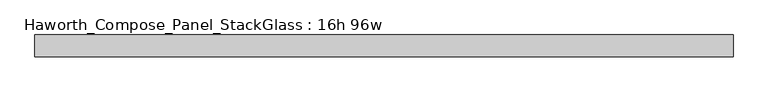
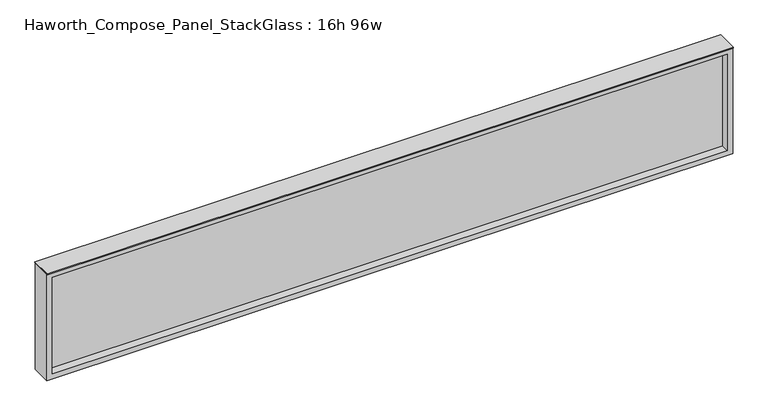
"""IFC4 building model written with IfcOpenShell, lengths in millimetres: furniture geometry, Haworth_Compose_Panel_StackGlass : 16h 96w."""

from ifc_helpers import new_model, si_unit, frame, origin, place, context, project, spatial, polyline, outline, extrude, source, transform, mapped, element, save


def haworth_compose_panel_stackglass_16h_96w_a6727824(model_context):
    return source(origin(), model_context, "Body", "SweptSolid", [
        extrude(outline(polyline([(1202.5902902, -6.35), (-1197.7097098, -6.35), (-1197.7097098, 6.35), (1202.5902902, 6.35), (1202.5902902, -6.35)])), frame((0.0, 0.0, 1085.85), z_axis=(0.0, 0.0, 1.0), x_axis=(1.0, 0.0, 0.0)), (0.0, 0.0, 1.0), 361.95),
        extrude(outline(polyline([(1466.85, -1216.7597098), (1066.8, -1216.7597098), (1066.8, 1221.6402902), (1466.85, 1221.6402902), (1466.85, -1216.7597098)]), holes=[polyline([(1447.8, 1202.5902902), (1085.85, 1202.5902902), (1085.85, -1197.7097098), (1447.8, -1197.7097098), (1447.8, 1202.5902902)])]), frame((0.0, -34.925, 0.0), z_axis=(0.0, 1.0, 0.0), x_axis=(0.0, 0.0, 1.0)), (0.0, 0.0, 1.0), 69.85),
        extrude(outline(polyline([(-1216.7597098, -38.1), (-1216.7597098, 38.1), (1221.6402902, 38.1), (1221.6402902, -38.1), (-1216.7597098, -38.1)])), frame((0.0, 0.0, 1466.85), z_axis=(0.0, 0.0, 1.0), x_axis=(1.0, 0.0, 0.0)), (0.0, 0.0, 1.0), 3.175),
    ])


if __name__ == "__main__":
    model = new_model("IFC4")
    model_context = context("Model", 3, world=origin())
    ifc_project = project(units=[si_unit("LENGTHUNIT", "METRE", prefix="MILLI")], contexts=[model_context])
    site = spatial("IfcSite", under=ifc_project)
    building = spatial("IfcBuilding", under=site)
    placement = place(None, origin())
    haworth_compose_panel_stackglass_16h_96w_shape = haworth_compose_panel_stackglass_16h_96w_a6727824(model_context)
    element("IfcFurniture", 1, ObjectType="Haworth_Compose_Panel_StackGlass : 16h 96w", at=placement, inside=building, context=model_context, shape_type="MappedRepresentation", body=[
        mapped(haworth_compose_panel_stackglass_16h_96w_shape, transform((0.0, 0.0, 0.0), x_axis=(1.0, 0.0, 0.0), y_axis=(0.0, 1.0, 0.0), z_axis=(0.0, 0.0, 1.0))),
    ])
    save(model, "model.ifc")
